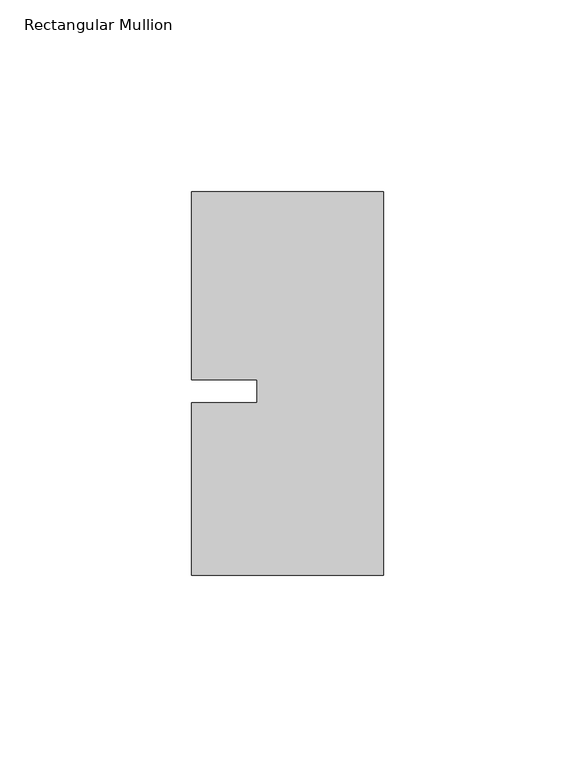
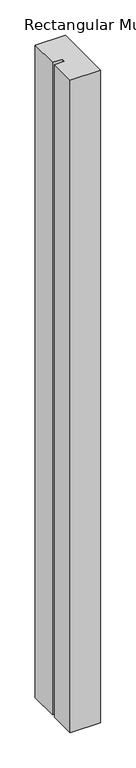
"""IFC4 building model written with IfcOpenShell, lengths in millimetres: member geometry, Rectangular Mullion."""

from ifc_helpers import new_model, si_unit, frame, origin, place, context, project, spatial, polyline, outline, extrude, source, transform, mapped, element, save


def rectangular_mullion_9925f301(model_context):
    return source(origin(), model_context, "Body", "SweptSolid", [
        extrude(outline(polyline([(-33.0004407, -3.0000086), (-33.0004379, 3.0000086), (-49.9999762, 3.0000166), (-49.9999534, 51.9999993), (0.0, 51.9999711), (0.0, -48.000024), (-50.0, -48.0000007), (-49.999979, -3.0000007), (-33.0004407, -3.0000086)])), frame((0.0, 0.0, -1130.1124255), z_axis=(0.0, 0.0, 1.0), x_axis=(1.0, 0.0, 0.0)), (0.0, 0.0, 1.0), 1130.1124255),
    ])


if __name__ == "__main__":
    model = new_model("IFC4")
    model_context = context("Model", 3, world=origin())
    ifc_project = project(units=[si_unit("LENGTHUNIT", "METRE", prefix="MILLI")], contexts=[model_context])
    site = spatial("IfcSite", under=ifc_project)
    building = spatial("IfcBuilding", under=site)
    placement = place(None, origin())
    rectangular_mullion_shape = rectangular_mullion_9925f301(model_context)
    element("IfcMember", 1, ObjectType="Rectangular Mullion", at=placement, inside=building, context=model_context, shape_type="MappedRepresentation", body=[
        mapped(rectangular_mullion_shape, transform((0.0, 0.0, 0.0), x_axis=(1.0, 0.0, 0.0), y_axis=(0.0, 1.0, 0.0), z_axis=(0.0, 0.0, 1.0))),
    ])
    save(model, "model.ifc")
